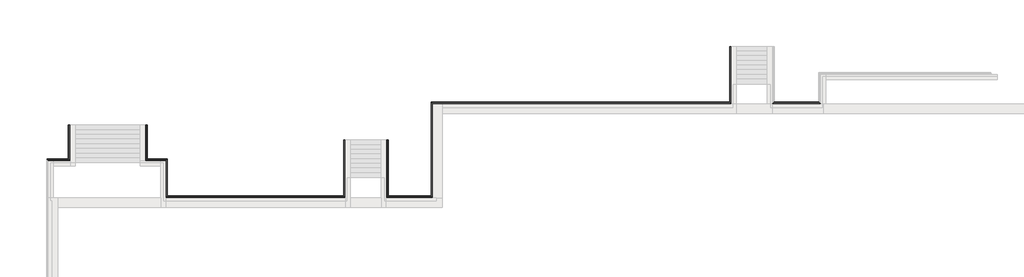
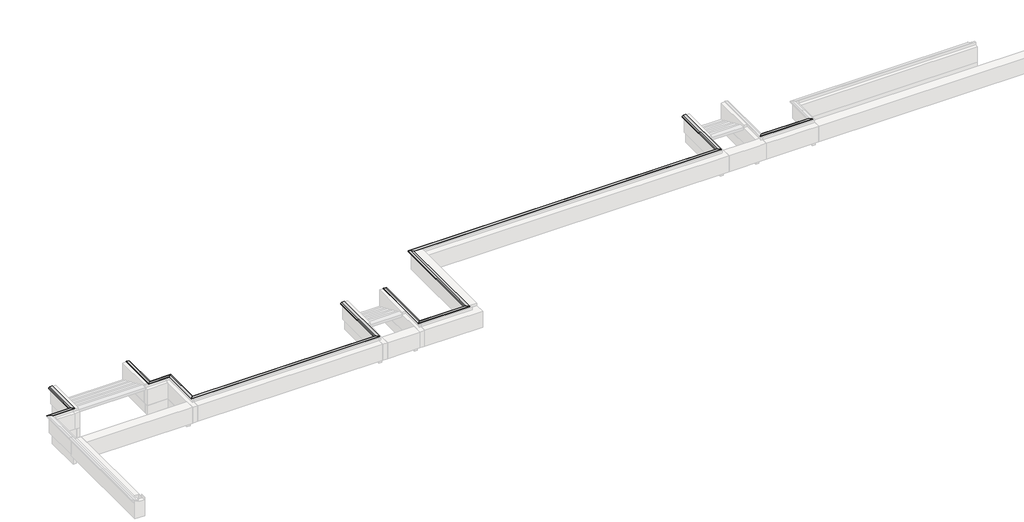
# One storey, part 8 of 10: 13 proxies.
"""IFC4 building model written with IfcOpenShell, lengths in millimetres."""

from ifc_helpers import new_model, si_unit, frame, origin, place, context, project, spatial, polyline, circle_curve, ellipse_curve, element, save
from ifc_brep_helpers import plane_surface, revolved_surface, advanced_brep

model = new_model("IFC4")

# Units and contexts
model_context = context("Model", 3, world=origin())
ifc_project = project(units=[si_unit("LENGTHUNIT", "METRE", prefix="MILLI")], contexts=[model_context])

# Site, building, storey
site = spatial("IfcSite", under=ifc_project)
building = spatial("IfcBuilding", under=site)
storey = spatial("IfcBuildingStorey", under=building, Elevation=-1200.0)

# Proxies
placement = place(None, origin())
element("IfcBuildingElementProxy", 1, Name="Wall Sweeps", at=placement, inside=storey, context=model_context, shape_type="AdvancedBrep", body=[
    advanced_brep(
    [(-23714.9887159, 1118.1079487, -15.0), (-23714.9887159, 1118.1079487, -85.0), (-23649.9887159, 1053.1079487, -150.0), (-23599.9887159, 1003.1079487, -150.0), (-23599.9887159, 1003.1079487, 0.0), (-23499.9887159, 903.1079487, 0.0), (-23499.9887159, 903.1079487, 30.51349), (-23649.9887159, 1053.1079487, 30.51349), (-23714.9887159, 7118.1079487, -15.0), (-23649.9887159, 7053.1079487, 30.51349), (-23499.9887159, 6903.1079487, 30.51349), (-23499.9887159, 6903.1079487, 0.0), (-23599.9887159, 7003.1079487, 0.0), (-23599.9887159, 7003.1079487, -150.0), (-23649.9887159, 7053.1079487, -150.0), (-23714.9887159, 7118.1079487, -85.0)],
    [
        (0, 1),
        (1, 2, ellipse_curve(frame((-23714.9887159, 1118.1079487, -150.0), z_axis=(0.7071067811865527, 0.7071067811865425, 0.0), x_axis=(-0.7071067811865426, 0.7071067811865526, 0.0)), 91.9238816, 65.0)),
        (2, 3),
        (3, 4),
        (4, 5),
        (5, 6),
        (6, 7),
        (7, 0),
        (8, 9),
        (9, 10),
        (10, 11),
        (11, 12),
        (12, 13),
        (13, 14),
        (14, 15, ellipse_curve(frame((-23714.9887159, 7118.1079487, -150.0), z_axis=(-0.7071067811865529, -0.7071067811865422, 0.0), x_axis=(-0.7071067811865424, 0.7071067811865527, 0.0)), 91.9238816, 65.0)),
        (15, 8),
        (0, 8),
        (15, 1),
        (14, 2),
        (13, 3),
        (12, 4),
        (11, 5),
        (10, 6),
        (9, 7),
    ],
    [
        plane_surface(frame((-23599.9887159, 1003.1079487, -304.8), z_axis=(-0.7071067811865527, -0.7071067811865425, 0.0), x_axis=(-0.7071067811865425, 0.7071067811865527, 0.0))),
        plane_surface(frame((-23599.9887159, 7003.1079487, 304.8), z_axis=(0.7071067811865529, 0.7071067811865422, 0.0), x_axis=(0.7071067811865422, -0.7071067811865529, 0.0))),
        plane_surface(frame((-23714.9887159, 1118.1079487, -15.0), z_axis=(-1.0, 0.0, 0.0), x_axis=(0.0, 1.0, 0.0))),
        revolved_surface(polyline([(-23779.9887159, 7183.1079487323495, -150.0), (-23779.9887159, 1053.1079486676501, -150.0)]), (-23714.9887159, 1003.1079487, -150.0), (0.0, 1.0, 0.0)),
        plane_surface(frame((-23649.9887159, 1053.1079487, -150.0), z_axis=(0.0, 0.0, -1.0), x_axis=(0.0, 1.0, 0.0))),
        plane_surface(frame((-23599.9887159, 1003.1079487, -150.0), z_axis=(1.0, 0.0, 0.0), x_axis=(0.0, 1.0, 0.0))),
        plane_surface(frame((-23599.9887159, 1003.1079487, 0.0), z_axis=(0.0, 0.0, -1.0), x_axis=(0.0, 1.0, 0.0))),
        plane_surface(frame((-23499.9887159, 903.1079487, 0.0), z_axis=(1.0, 0.0, 0.0), x_axis=(0.0, 1.0, 0.0))),
        plane_surface(frame((-23499.9887159, 903.1079487, 30.51349), z_axis=(0.0, 0.0, 1.0), x_axis=(0.0, 1.0, 0.0))),
        plane_surface(frame((-23649.9887159, 1053.1079487, 30.51349), z_axis=(-0.5735764363510482, 0.0, 0.8191520442889904), x_axis=(0.0, 1.0, 0.0))),
    ],
    [
        (0, [[1, 2, 3, 4, 5, 6, 7, 8]]),
        (1, [[9, 10, 11, 12, 13, 14, 15, 16]]),
        (2, [[-1, 17, -16, 18]]),
        (3, [[-2, -18, -15, 19]]),
        (4, [[-3, -19, -14, 20]]),
        (5, [[-4, -20, -13, 21]]),
        (6, [[-5, -21, -12, 22]]),
        (7, [[-6, -22, -11, 23]]),
        (8, [[-7, -23, -10, 24]]),
        (9, [[-8, -24, -9, -17]]),
    ],
),
])
element("IfcBuildingElementProxy", 2, Name="Wall Sweeps", at=placement, inside=storey, context=model_context, shape_type="AdvancedBrep", body=[
    advanced_brep(
    [(-23714.9887159, 7118.1079487, -15.0), (-23714.9887159, 7118.1079487, -85.0), (-23649.9887159, 7053.1079487, -150.0), (-23599.9887159, 7003.1079487, -150.0), (-23599.9887159, 7003.1079487, 0.0), (-23499.9887159, 6903.1079487, 0.0), (-23499.9887159, 6903.1079487, 30.51349), (-23649.9887159, 7053.1079487, 30.51349), (-4624.9887159, 7118.1079487, -85.0), (-4624.9887159, 7118.1079487, -15.0), (-4559.9887159, 7053.1079487, 30.51349), (-4409.9887159, 6903.1079487, 30.51349), (-4409.9887159, 6903.1079487, 0.0), (-4509.9887159, 7003.1079487, 0.0), (-4509.9887159, 7003.1079487, -150.0), (-4559.9887159, 7053.1079487, -150.0), (-22989.9887159, 7003.1079487, 0.0), (-22989.9887159, 6903.1079487, 0.0)],
    [
        (0, 1),
        (1, 2, ellipse_curve(frame((-23714.9887159, 7118.1079487, -150.0), z_axis=(0.7071067811865529, 0.7071067811865422, 0.0), x_axis=(0.7071067811865421, -0.7071067811865529, 0.0)), 91.9238816, 65.0)),
        (2, 3),
        (3, 4),
        (4, 5),
        (5, 6),
        (6, 7),
        (7, 0),
        (8, 9),
        (9, 10),
        (10, 11),
        (11, 12),
        (12, 13),
        (13, 14),
        (14, 15),
        (15, 8, ellipse_curve(frame((-4624.9887159, 7118.1079487, -150.0), z_axis=(-0.7071067811865493, -0.7071067811865458, 0.0), x_axis=(0.7071067811865457, -0.7071067811865492, 0.0)), 91.9238816, 65.0)),
        (0, 9),
        (8, 1),
        (15, 2),
        (14, 3),
        (13, 16),
        (16, 4),
        (12, 17),
        (17, 5),
        (11, 6),
        (10, 7),
    ],
    [
        plane_surface(frame((-23599.9887159, 7003.1079487, 304.8), z_axis=(-0.7071067811865529, -0.7071067811865422, 0.0), x_axis=(0.7071067811865422, -0.7071067811865529, 0.0))),
        plane_surface(frame((-4509.9887159, 7003.1079487, -304.8), z_axis=(0.7071067811865493, 0.7071067811865458, 0.0), x_axis=(-0.7071067811865458, 0.7071067811865493, 0.0))),
        plane_surface(frame((-23714.9887159, 7118.1079487, -15.0), z_axis=(0.0, 1.0, 0.0), x_axis=(1.0, 0.0, 0.0))),
        revolved_surface(polyline([(-4559.98871586765, 7183.1079487, -150.0), (-23779.988715932348, 7183.1079487, -150.0)]), (-23599.9887159, 7118.1079487, -150.0), (1.0, 0.0, 0.0)),
        plane_surface(frame((-23649.9887159, 7053.1079487, -150.0), z_axis=(0.0, 0.0, -1.0), x_axis=(1.0, 0.0, 0.0))),
        plane_surface(frame((-23599.9887159, 7003.1079487, -150.0), z_axis=(0.0, -1.0, 0.0), x_axis=(1.0, 0.0, 0.0))),
        plane_surface(frame((-23599.9887159, 7003.1079487, 0.0), z_axis=(0.0, 0.0, -1.0), x_axis=(1.0, 0.0, 0.0))),
        plane_surface(frame((-23499.9887159, 6903.1079487, 0.0), z_axis=(0.0, -1.0, 0.0), x_axis=(1.0, 0.0, 0.0))),
        plane_surface(frame((-23499.9887159, 6903.1079487, 30.51349), z_axis=(0.0, 0.0, 1.0), x_axis=(1.0, 0.0, 0.0))),
        plane_surface(frame((-23649.9887159, 7053.1079487, 30.51349), z_axis=(0.0, 0.5735764363510482, 0.8191520442889904), x_axis=(1.0, 0.0, 0.0))),
    ],
    [
        (0, [[1, 2, 3, 4, 5, 6, 7, 8]]),
        (1, [[9, 10, 11, 12, 13, 14, 15, 16]]),
        (2, [[-1, 17, -9, 18]]),
        (3, [[-2, -18, -16, 19]]),
        (4, [[-3, -19, -15, 20]]),
        (5, [[-4, -20, -14, 21, 22]]),
        (6, [[-5, -22, -21, -13, 23, 24]]),
        (7, [[-6, -24, -23, -12, 25]]),
        (8, [[-7, -25, -11, 26]]),
        (9, [[-8, -26, -10, -17]]),
    ],
),
])
element("IfcBuildingElementProxy", 3, Name="Wall Sweeps", at=placement, inside=storey, context=model_context, shape_type="AdvancedBrep", body=[
    advanced_brep(
    [(-46910.9937665, 3473.1270954, -15.0), (-46910.9937665, 3473.1270954, -85.0), (-46845.9937665, 3408.1270954, -150.0), (-46795.9937665, 3358.1270954, -150.0), (-46795.9937665, 3358.1270954, 0.0), (-46695.9937665, 3258.1270954, 0.0), (-46695.9937665, 3258.1270954, 30.51349), (-46845.9937665, 3408.1270954, 30.51349), (-46910.9937665, 5668.1079487, -85.0), (-46910.9937665, 5668.1079487, -15.0), (-46845.9937665, 5668.1079487, 30.51349), (-46695.9937665, 5668.1079487, 30.51349), (-46695.9937665, 5668.1079487, 0.0), (-46795.9937665, 5668.1079487, 0.0), (-46795.9937665, 5668.1079487, -150.0), (-46845.9937665, 5668.1079487, -150.0)],
    [
        (0, 1),
        (1, 2, ellipse_curve(frame((-46910.9937665, 3473.1270954, -150.0), z_axis=(0.707106781186544, 0.7071067811865511, 0.0), x_axis=(-0.7071067811865512, 0.7071067811865438, 0.0)), 91.9238816, 65.0)),
        (2, 3),
        (3, 4),
        (4, 5),
        (5, 6),
        (6, 7),
        (7, 0),
        (8, 9),
        (9, 10),
        (10, 11),
        (11, 12),
        (12, 13),
        (13, 14),
        (14, 15),
        (15, 8, circle_curve(frame((-46910.9937665, 5668.1079487, -150.0), z_axis=(0.0, -1.0, 0.0), x_axis=(-1.0, 0.0, 0.0)), 65.0)),
        (0, 9),
        (8, 1),
        (15, 2),
        (14, 3),
        (13, 4),
        (12, 5),
        (11, 6),
        (10, 7),
    ],
    [
        plane_surface(frame((-46795.9937665, 3358.1270954, -304.8), z_axis=(-0.707106781186544, -0.7071067811865511, 0.0), x_axis=(-0.7071067811865511, 0.707106781186544, 0.0))),
        plane_surface(frame((-46954.1076495, 5668.1079487, 0.0), z_axis=(0.0, 1.0, 0.0), x_axis=(0.0, 0.0, 1.0))),
        plane_surface(frame((-46910.9937665, 3473.1270954, -15.0), z_axis=(-1.0, 0.0, 0.0), x_axis=(0.0, 1.0, 0.0))),
        revolved_surface(polyline([(-46975.9937665, 5668.1079487, -150.0), (-46975.9937665, 3408.1270953676512, -150.0)]), (-46910.9937665, 3358.1270954, -150.0), (0.0, 1.0, 0.0)),
        plane_surface(frame((-46845.9937665, 3408.1270954, -150.0), z_axis=(0.0, 0.0, -1.0), x_axis=(0.0, 1.0, 0.0))),
        plane_surface(frame((-46795.9937665, 3358.1270954, -150.0), z_axis=(1.0, 0.0, 0.0), x_axis=(0.0, 1.0, 0.0))),
        plane_surface(frame((-46795.9937665, 3358.1270954, 0.0), z_axis=(0.0, 0.0, -1.0), x_axis=(0.0, 1.0, 0.0))),
        plane_surface(frame((-46695.9937665, 3258.1270954, 0.0), z_axis=(1.0, 0.0, 0.0), x_axis=(0.0, 1.0, 0.0))),
        plane_surface(frame((-46695.9937665, 3258.1270954, 30.51349), z_axis=(0.0, 0.0, 1.0), x_axis=(0.0, 1.0, 0.0))),
        plane_surface(frame((-46845.9937665, 3408.1270954, 30.51349), z_axis=(-0.5735764363510482, 0.0, 0.8191520442889904), x_axis=(0.0, 1.0, 0.0))),
    ],
    [
        (0, [[1, 2, 3, 4, 5, 6, 7, 8]]),
        (1, [[9, 10, 11, 12, 13, 14, 15, 16]]),
        (2, [[-1, 17, -9, 18]]),
        (3, [[-2, -18, -16, 19]]),
        (4, [[-3, -19, -15, 20]]),
        (5, [[-4, -20, -14, 21]]),
        (6, [[-5, -21, -13, 22]]),
        (7, [[-6, -22, -12, 23]]),
        (8, [[-7, -23, -11, 24]]),
        (9, [[-8, -24, -10, -17]]),
    ],
),
])
element("IfcBuildingElementProxy", 4, Name="Wall Sweeps", at=placement, inside=storey, context=model_context, shape_type="AdvancedBrep", body=[
    advanced_brep(
    [(-40586.9988172, 1118.1079487, -85.0), (-40586.9988172, 1118.1079487, -15.0), (-40651.9988172, 1053.1079487, 30.51349), (-40801.9988172, 903.1079487, 30.51349), (-40801.9988172, 903.1079487, 0.0), (-40701.9988172, 1003.1079487, 0.0), (-40701.9988172, 1003.1079487, -150.0), (-40651.9988172, 1053.1079487, -150.0), (-40586.9988172, 3473.1270954, -15.0), (-40586.9988172, 3473.1270954, -85.0), (-40651.9988172, 3408.1270954, -150.0), (-40701.9988172, 3358.1270954, -150.0), (-40701.9988172, 3358.1270954, 0.0), (-40801.9988172, 3258.1270954, 0.0), (-40801.9988172, 3258.1270954, 30.51349), (-40651.9988172, 3408.1270954, 30.51349)],
    [
        (0, 1),
        (1, 2),
        (2, 3),
        (3, 4),
        (4, 5),
        (5, 6),
        (6, 7),
        (7, 0, ellipse_curve(frame((-40586.9988172, 1118.1079487, -150.0), z_axis=(-0.7071067811865442, 0.7071067811865509, 0.0), x_axis=(0.7071067811865509, 0.707106781186544, 0.0)), 91.9238816, 65.0)),
        (8, 9),
        (9, 10, ellipse_curve(frame((-40586.9988172, 3473.1270954, -150.0), z_axis=(0.7071067811865449, -0.7071067811865502, 0.0), x_axis=(0.7071067811865502, 0.7071067811865447, 0.0)), 91.9238816, 65.0)),
        (10, 11),
        (11, 12),
        (12, 13),
        (13, 14),
        (14, 15),
        (15, 8),
        (0, 9),
        (8, 1),
        (7, 10),
        (6, 11),
        (5, 12),
        (4, 13),
        (3, 14),
        (2, 15),
    ],
    [
        plane_surface(frame((-40701.9988172, 1003.1079487, 304.8), z_axis=(0.7071067811865442, -0.7071067811865509, 0.0), x_axis=(0.7071067811865509, 0.7071067811865442, 0.0))),
        plane_surface(frame((-40701.9988172, 3358.1270954, -304.8), z_axis=(-0.7071067811865449, 0.7071067811865502, 0.0), x_axis=(-0.7071067811865502, -0.7071067811865449, 0.0))),
        plane_surface(frame((-40586.9988172, 1118.1079487, -85.0), z_axis=(1.0, 0.0, 0.0), x_axis=(0.0, 1.0, 0.0))),
        revolved_surface(polyline([(-40521.9988172, 3538.127095432349, -150.0), (-40521.9988172, 1053.107948667651, -150.0)]), (-40586.9988172, 1003.1079487, -150.0), (0.0, 1.0, 0.0)),
        plane_surface(frame((-40701.9988172, 1003.1079487, -150.0), z_axis=(0.0, 0.0, -1.0), x_axis=(0.0, 1.0, 0.0))),
        plane_surface(frame((-40701.9988172, 1003.1079487, 0.0), z_axis=(-1.0, 0.0, 0.0), x_axis=(0.0, 1.0, 0.0))),
        plane_surface(frame((-40801.9988172, 903.1079487, 0.0), z_axis=(0.0, 0.0, -1.0), x_axis=(0.0, 1.0, 0.0))),
        plane_surface(frame((-40801.9988172, 903.1079487, 30.51349), z_axis=(-1.0, 0.0, 0.0), x_axis=(0.0, 1.0, 0.0))),
        plane_surface(frame((-40651.9988172, 1053.1079487, 30.51349), z_axis=(0.0, 0.0, 1.0), x_axis=(0.0, 1.0, 0.0))),
        plane_surface(frame((-40586.9988172, 1118.1079487, -15.0), z_axis=(0.5735764363510482, 0.0, 0.8191520442889904), x_axis=(0.0, 1.0, 0.0))),
    ],
    [
        (0, [[1, 2, 3, 4, 5, 6, 7, 8]]),
        (1, [[9, 10, 11, 12, 13, 14, 15, 16]]),
        (2, [[-1, 17, -9, 18]]),
        (3, [[-8, 19, -10, -17]]),
        (4, [[-7, 20, -11, -19]]),
        (5, [[-6, 21, -12, -20]]),
        (6, [[-5, 22, -13, -21]]),
        (7, [[-4, 23, -14, -22]]),
        (8, [[-3, 24, -15, -23]]),
        (9, [[-2, -18, -16, -24]]),
    ],
),
])
element("IfcBuildingElementProxy", 5, Name="Wall Sweeps", at=placement, inside=storey, context=model_context, shape_type="AdvancedBrep", body=[
    advanced_brep(
    [(-41880.9937665, 3473.1270954, -15.0), (-41880.9937665, 3473.1270954, -85.0), (-41945.9937665, 3408.1270954, -150.0), (-41995.9937665, 3358.1270954, -150.0), (-41995.9937665, 3358.1270954, 0.0), (-42095.9937665, 3258.1270954, 0.0), (-42095.9937665, 3258.1270954, 30.51349), (-41945.9937665, 3408.1270954, 30.51349), (-40586.9988172, 3473.1270954, -15.0), (-40651.9988172, 3408.1270954, 30.51349), (-40801.9988172, 3258.1270954, 30.51349), (-40801.9988172, 3258.1270954, 0.0), (-40701.9988172, 3358.1270954, 0.0), (-40701.9988172, 3358.1270954, -150.0), (-40651.9988172, 3408.1270954, -150.0), (-40586.9988172, 3473.1270954, -85.0), (-41011.9988172, 3358.1270954, 0.0)],
    [
        (0, 1),
        (1, 2, ellipse_curve(frame((-41880.9937665, 3473.1270954, -150.0), z_axis=(0.707106781186544, -0.7071067811865511, 0.0), x_axis=(0.707106781186551, 0.7071067811865441, 0.0)), 91.9238816, 65.0)),
        (2, 3),
        (3, 4),
        (4, 5),
        (5, 6),
        (6, 7),
        (7, 0),
        (8, 9),
        (9, 10),
        (10, 11),
        (11, 12),
        (12, 13),
        (13, 14),
        (14, 15, ellipse_curve(frame((-40586.9988172, 3473.1270954, -150.0), z_axis=(-0.7071067811865449, 0.7071067811865502, 0.0), x_axis=(0.70710678118655, 0.707106781186545, 0.0)), 91.9238816, 65.0)),
        (15, 8),
        (0, 8),
        (15, 1),
        (14, 2),
        (13, 3),
        (12, 16),
        (16, 4),
        (11, 5),
        (10, 6),
        (9, 7),
    ],
    [
        plane_surface(frame((-41995.9937665, 3358.1270954, -304.8), z_axis=(-0.707106781186544, 0.7071067811865511, 0.0), x_axis=(0.7071067811865511, 0.707106781186544, 0.0))),
        plane_surface(frame((-40701.9988172, 3358.1270954, 304.8), z_axis=(0.7071067811865449, -0.7071067811865502, 0.0), x_axis=(-0.7071067811865502, -0.7071067811865449, 0.0))),
        plane_surface(frame((-41880.9937665, 3473.1270954, -15.0), z_axis=(0.0, 1.0, 0.0), x_axis=(1.0, 0.0, 0.0))),
        revolved_surface(polyline([(-40521.99881716765, 3538.1270954, -150.0), (-41945.99376653235, 3538.1270954, -150.0)]), (-41995.9937665, 3473.1270954, -150.0), (1.0, 0.0, 0.0)),
        plane_surface(frame((-41945.9937665, 3408.1270954, -150.0), z_axis=(0.0, 0.0, -1.0), x_axis=(1.0, 0.0, 0.0))),
        plane_surface(frame((-41995.9937665, 3358.1270954, -150.0), z_axis=(0.0, -1.0, 0.0), x_axis=(1.0, 0.0, 0.0))),
        plane_surface(frame((-41995.9937665, 3358.1270954, 0.0), z_axis=(0.0, 0.0, -1.0), x_axis=(1.0, 0.0, 0.0))),
        plane_surface(frame((-42095.9937665, 3258.1270954, 0.0), z_axis=(0.0, -1.0, 0.0), x_axis=(1.0, 0.0, 0.0))),
        plane_surface(frame((-42095.9937665, 3258.1270954, 30.51349), z_axis=(0.0, 0.0, 1.0), x_axis=(1.0, 0.0, 0.0))),
        plane_surface(frame((-41945.9937665, 3408.1270954, 30.51349), z_axis=(0.0, 0.5735764363510482, 0.8191520442889904), x_axis=(1.0, 0.0, 0.0))),
    ],
    [
        (0, [[1, 2, 3, 4, 5, 6, 7, 8]]),
        (1, [[9, 10, 11, 12, 13, 14, 15, 16]]),
        (2, [[-1, 17, -16, 18]]),
        (3, [[-2, -18, -15, 19]]),
        (4, [[-3, -19, -14, 20]]),
        (5, [[-4, -20, -13, 21, 22]]),
        (6, [[-5, -22, -21, -12, 23]]),
        (7, [[-6, -23, -11, 24]]),
        (8, [[-7, -24, -10, 25]]),
        (9, [[-8, -25, -9, -17]]),
    ],
),
])
element("IfcBuildingElementProxy", 6, Name="Wall Sweeps", at=placement, inside=storey, context=model_context, shape_type="AdvancedBrep", body=[
    advanced_brep(
    [(-41880.9937665, 3473.1270954, -15.0), (-41945.9937665, 3408.1270954, 30.51349), (-42095.9937665, 3258.1270954, 30.51349), (-42095.9937665, 3258.1270954, 0.0), (-41995.9937665, 3358.1270954, 0.0), (-41995.9937665, 3358.1270954, -150.0), (-41945.9937665, 3408.1270954, -150.0), (-41880.9937665, 3473.1270954, -85.0), (-41880.9937665, 5668.1079487, -15.0), (-41880.9937665, 5668.1079487, -85.0), (-41945.9937665, 5668.1079487, -150.0), (-41995.9937665, 5668.1079487, -150.0), (-41995.9937665, 5668.1079487, 0.0), (-42095.9937665, 5668.1079487, 0.0), (-42095.9937665, 5668.1079487, 30.51349), (-41945.9937665, 5668.1079487, 30.51349)],
    [
        (0, 1),
        (1, 2),
        (2, 3),
        (3, 4),
        (4, 5),
        (5, 6),
        (6, 7, ellipse_curve(frame((-41880.9937665, 3473.1270954, -150.0), z_axis=(-0.707106781186544, 0.7071067811865511, 0.0), x_axis=(0.7071067811865512, 0.7071067811865438, 0.0)), 91.9238816, 65.0)),
        (7, 0),
        (8, 9),
        (9, 10, circle_curve(frame((-41880.9937665, 5668.1079487, -150.0), z_axis=(0.0, -1.0, 0.0), x_axis=(1.0, 0.0, 0.0)), 65.0)),
        (10, 11),
        (11, 12),
        (12, 13),
        (13, 14),
        (14, 15),
        (15, 8),
        (7, 9),
        (8, 0),
        (6, 10),
        (5, 11),
        (4, 12),
        (3, 13),
        (2, 14),
        (1, 15),
    ],
    [
        plane_surface(frame((-41995.9937665, 3358.1270954, 304.8), z_axis=(0.707106781186544, -0.7071067811865511, 0.0), x_axis=(0.7071067811865511, 0.707106781186544, 0.0))),
        plane_surface(frame((-42154.1076495, 5668.1079487, 0.0), z_axis=(0.0, 1.0, 0.0), x_axis=(0.0, 0.0, 1.0))),
        plane_surface(frame((-41880.9937665, 3473.1270954, -85.0), z_axis=(1.0, 0.0, 0.0), x_axis=(0.0, 1.0, 0.0))),
        revolved_surface(polyline([(-41815.9937665, 5668.1079487, -150.0), (-41815.9937665, 3408.1270953676512, -150.0)]), (-41880.9937665, 3358.1270954, -150.0), (0.0, 1.0, 0.0)),
        plane_surface(frame((-41995.9937665, 3358.1270954, -150.0), z_axis=(0.0, 0.0, -1.0), x_axis=(0.0, 1.0, 0.0))),
        plane_surface(frame((-41995.9937665, 3358.1270954, 0.0), z_axis=(-1.0, 0.0, 0.0), x_axis=(0.0, 1.0, 0.0))),
        plane_surface(frame((-42095.9937665, 3258.1270954, 0.0), z_axis=(0.0, 0.0, -1.0), x_axis=(0.0, 1.0, 0.0))),
        plane_surface(frame((-42095.9937665, 3258.1270954, 30.51349), z_axis=(-1.0, 0.0, 0.0), x_axis=(0.0, 1.0, 0.0))),
        plane_surface(frame((-41945.9937665, 3408.1270954, 30.51349), z_axis=(0.0, 0.0, 1.0), x_axis=(0.0, 1.0, 0.0))),
        plane_surface(frame((-41880.9937665, 3473.1270954, -15.0), z_axis=(0.5735764363510482, 0.0, 0.8191520442889904), x_axis=(0.0, 1.0, 0.0))),
    ],
    [
        (0, [[1, 2, 3, 4, 5, 6, 7, 8]]),
        (1, [[9, 10, 11, 12, 13, 14, 15, 16]]),
        (2, [[-8, 17, -9, 18]]),
        (3, [[-7, 19, -10, -17]]),
        (4, [[-6, 20, -11, -19]]),
        (5, [[-5, 21, -12, -20]]),
        (6, [[-4, 22, -13, -21]]),
        (7, [[-3, 23, -14, -22]]),
        (8, [[-2, 24, -15, -23]]),
        (9, [[-1, -18, -16, -24]]),
    ],
),
])
element("IfcBuildingElementProxy", 7, Name="Wall Sweeps", at=placement, inside=storey, context=model_context, shape_type="AdvancedBrep", body=[
    advanced_brep(
    [(-40586.9988172, 1118.1079487, -15.0), (-40586.9988172, 1118.1079487, -85.0), (-40651.9988172, 1053.1079487, -150.0), (-40701.9988172, 1003.1079487, -150.0), (-40701.9988172, 1003.1079487, 0.0), (-40801.9988172, 903.1079487, 0.0), (-40801.9988172, 903.1079487, 30.51349), (-40651.9988172, 1053.1079487, 30.51349), (-29314.9887159, 1118.1079487, -15.0), (-29249.9887159, 1053.1079487, 30.51349), (-29099.9887159, 903.1079487, 30.51349), (-29099.9887159, 903.1079487, 0.0), (-29199.9887159, 1003.1079487, 0.0), (-29199.9887159, 1003.1079487, -150.0), (-29249.9887159, 1053.1079487, -150.0), (-29314.9887159, 1118.1079487, -85.0), (-30889.9887159, 903.1079487, 0.0), (-33789.9887159, 903.1079487, 0.0), (-34189.9887159, 903.1079487, 0.0), (-40609.9887159, 903.1079487, 0.0)],
    [
        (0, 1),
        (1, 2, ellipse_curve(frame((-40586.9988172, 1118.1079487, -150.0), z_axis=(0.7071067811865442, -0.7071067811865509, 0.0), x_axis=(0.7071067811865507, 0.7071067811865442, 0.0)), 91.9238816, 65.0)),
        (2, 3),
        (3, 4),
        (4, 5),
        (5, 6),
        (6, 7),
        (7, 0),
        (8, 9),
        (9, 10),
        (10, 11),
        (11, 12),
        (12, 13),
        (13, 14),
        (14, 15, ellipse_curve(frame((-29314.9887159, 1118.1079487, -150.0), z_axis=(-0.7071067811865454, -0.7071067811865498, 0.0), x_axis=(0.7071067811865496, -0.7071067811865454, 0.0)), 91.9238816, 65.0)),
        (15, 8),
        (0, 8),
        (15, 1),
        (14, 2),
        (13, 3),
        (12, 4),
        (11, 16),
        (16, 17),
        (17, 18),
        (18, 19),
        (19, 5),
        (10, 6),
        (9, 7),
    ],
    [
        plane_surface(frame((-40701.9988172, 1003.1079487, -304.8), z_axis=(-0.7071067811865442, 0.7071067811865509, 0.0), x_axis=(0.7071067811865509, 0.7071067811865442, 0.0))),
        plane_surface(frame((-29199.9887159, 1003.1079487, -304.8), z_axis=(0.7071067811865454, 0.7071067811865498, 0.0), x_axis=(-0.7071067811865498, 0.7071067811865454, 0.0))),
        plane_surface(frame((-40586.9988172, 1118.1079487, -15.0), z_axis=(0.0, 1.0, 0.0), x_axis=(1.0, 0.0, 0.0))),
        revolved_surface(polyline([(-29249.98871586765, 1183.1079487, -150.0), (-40651.99881723235, 1183.1079487, -150.0)]), (-40701.9988172, 1118.1079487, -150.0), (1.0, 0.0, 0.0)),
        plane_surface(frame((-40651.9988172, 1053.1079487, -150.0), z_axis=(0.0, 0.0, -1.0), x_axis=(1.0, 0.0, 0.0))),
        plane_surface(frame((-40701.9988172, 1003.1079487, -150.0), z_axis=(0.0, -1.0, 0.0), x_axis=(1.0, 0.0, 0.0))),
        plane_surface(frame((-40701.9988172, 1003.1079487, 0.0), z_axis=(0.0, 0.0, -1.0), x_axis=(1.0, 0.0, 0.0))),
        plane_surface(frame((-40801.9988172, 903.1079487, 0.0), z_axis=(0.0, -1.0, 0.0), x_axis=(1.0, 0.0, 0.0))),
        plane_surface(frame((-40801.9988172, 903.1079487, 30.51349), z_axis=(0.0, 0.0, 1.0), x_axis=(1.0, 0.0, 0.0))),
        plane_surface(frame((-40651.9988172, 1053.1079487, 30.51349), z_axis=(0.0, 0.5735764363510482, 0.8191520442889904), x_axis=(1.0, 0.0, 0.0))),
    ],
    [
        (0, [[1, 2, 3, 4, 5, 6, 7, 8]]),
        (1, [[9, 10, 11, 12, 13, 14, 15, 16]]),
        (2, [[-1, 17, -16, 18]]),
        (3, [[-2, -18, -15, 19]]),
        (4, [[-3, -19, -14, 20]]),
        (5, [[-4, -20, -13, 21]]),
        (6, [[-5, -21, -12, 22, 23, 24, 25, 26]]),
        (7, [[-6, -26, -25, -24, -23, -22, -11, 27]]),
        (8, [[-7, -27, -10, 28]]),
        (9, [[-8, -28, -9, -17]]),
    ],
),
])
element("IfcBuildingElementProxy", 8, Name="Wall Sweeps", at=placement, inside=storey, context=model_context, shape_type="AdvancedBrep", body=[
    advanced_brep(
    [(-26464.9887159, 1118.1079487, -15.0), (-26529.9887159, 1053.1079487, 30.51349), (-26679.9887159, 903.1079487, 30.51349), (-26679.9887159, 903.1079487, 0.0), (-26579.9887159, 1003.1079487, 0.0), (-26579.9887159, 1003.1079487, -150.0), (-26529.9887159, 1053.1079487, -150.0), (-26464.9887159, 1118.1079487, -85.0), (-26464.9887159, 4693.1079487, -15.0), (-26464.9887159, 4693.1079487, -85.0), (-26529.9887159, 4693.1079487, -150.0), (-26579.9887159, 4693.1079487, -150.0), (-26579.9887159, 4693.1079487, 0.0), (-26679.9887159, 4693.1079487, 0.0), (-26679.9887159, 4693.1079487, 30.51349), (-26529.9887159, 4693.1079487, 30.51349), (-26679.9887159, 2293.1079487, 0.0)],
    [
        (0, 1),
        (1, 2),
        (2, 3),
        (3, 4),
        (4, 5),
        (5, 6),
        (6, 7, ellipse_curve(frame((-26464.9887159, 1118.1079487, -150.0), z_axis=(-0.7071067811865442, 0.7071067811865509, 0.0), x_axis=(0.7071067811865509, 0.707106781186544, 0.0)), 91.9238816, 65.0)),
        (7, 0),
        (8, 9),
        (9, 10, circle_curve(frame((-26464.9887159, 4693.1079487, -150.0), z_axis=(0.0, -1.0, 0.0), x_axis=(1.0, 0.0, 0.0)), 65.0)),
        (10, 11),
        (11, 12),
        (12, 13),
        (13, 14),
        (14, 15),
        (15, 8),
        (7, 9),
        (8, 0),
        (6, 10),
        (5, 11),
        (4, 12),
        (3, 16),
        (16, 13),
        (2, 14),
        (1, 15),
    ],
    [
        plane_surface(frame((-26579.9887159, 1003.1079487, 304.8), z_axis=(0.7071067811865442, -0.7071067811865509, 0.0), x_axis=(0.7071067811865509, 0.7071067811865442, 0.0))),
        plane_surface(frame((-26738.1025989, 4693.1079487, 0.0), z_axis=(0.0, 1.0, 0.0), x_axis=(0.0, 0.0, 1.0))),
        plane_surface(frame((-26464.9887159, 1118.1079487, -85.0), z_axis=(1.0, 0.0, 0.0), x_axis=(0.0, 1.0, 0.0))),
        revolved_surface(polyline([(-26399.9887159, 4693.1079487, -150.0), (-26399.9887159, 1053.107948667651, -150.0)]), (-26464.9887159, 1003.1079487, -150.0), (0.0, 1.0, 0.0)),
        plane_surface(frame((-26579.9887159, 1003.1079487, -150.0), z_axis=(0.0, 0.0, -1.0), x_axis=(0.0, 1.0, 0.0))),
        plane_surface(frame((-26579.9887159, 1003.1079487, 0.0), z_axis=(-1.0, 0.0, 0.0), x_axis=(0.0, 1.0, 0.0))),
        plane_surface(frame((-26679.9887159, 903.1079487, 0.0), z_axis=(0.0, 0.0, -1.0), x_axis=(0.0, 1.0, 0.0))),
        plane_surface(frame((-26679.9887159, 903.1079487, 30.51349), z_axis=(-1.0, 0.0, 0.0), x_axis=(0.0, 1.0, 0.0))),
        plane_surface(frame((-26529.9887159, 1053.1079487, 30.51349), z_axis=(0.0, 0.0, 1.0), x_axis=(0.0, 1.0, 0.0))),
        plane_surface(frame((-26464.9887159, 1118.1079487, -15.0), z_axis=(0.5735764363510482, 0.0, 0.8191520442889904), x_axis=(0.0, 1.0, 0.0))),
    ],
    [
        (0, [[1, 2, 3, 4, 5, 6, 7, 8]]),
        (1, [[9, 10, 11, 12, 13, 14, 15, 16]]),
        (2, [[-8, 17, -9, 18]]),
        (3, [[-7, 19, -10, -17]]),
        (4, [[-6, 20, -11, -19]]),
        (5, [[-5, 21, -12, -20]]),
        (6, [[-4, 22, 23, -13, -21]]),
        (7, [[-3, 24, -14, -23, -22]]),
        (8, [[-2, 25, -15, -24]]),
        (9, [[-1, -18, -16, -25]]),
    ],
),
])
element("IfcBuildingElementProxy", 9, Name="Wall Sweeps", at=placement, inside=storey, context=model_context, shape_type="AdvancedBrep", body=[
    advanced_brep(
    [(-29314.9887159, 1118.1079487, -15.0), (-29314.9887159, 1118.1079487, -85.0), (-29249.9887159, 1053.1079487, -150.0), (-29199.9887159, 1003.1079487, -150.0), (-29199.9887159, 1003.1079487, 0.0), (-29099.9887159, 903.1079487, 0.0), (-29099.9887159, 903.1079487, 30.51349), (-29249.9887159, 1053.1079487, 30.51349), (-29314.9887159, 4693.1079487, -15.0), (-29249.9887159, 4693.1079487, 30.51349), (-29099.9887159, 4693.1079487, 30.51349), (-29099.9887159, 4693.1079487, 0.0), (-29199.9887159, 4693.1079487, 0.0), (-29199.9887159, 4693.1079487, -150.0), (-29249.9887159, 4693.1079487, -150.0), (-29314.9887159, 4693.1079487, -85.0), (-29099.9887159, 2293.1079487, 0.0)],
    [
        (0, 1),
        (1, 2, ellipse_curve(frame((-29314.9887159, 1118.1079487, -150.0), z_axis=(0.7071067811865454, 0.7071067811865498, 0.0), x_axis=(-0.7071067811865498, 0.7071067811865451, 0.0)), 91.9238816, 65.0)),
        (2, 3),
        (3, 4),
        (4, 5),
        (5, 6),
        (6, 7),
        (7, 0),
        (8, 9),
        (9, 10),
        (10, 11),
        (11, 12),
        (12, 13),
        (13, 14),
        (14, 15, circle_curve(frame((-29314.9887159, 4693.1079487, -150.0), z_axis=(0.0, -1.0, 0.0), x_axis=(-1.0, 0.0, 0.0)), 65.0)),
        (15, 8),
        (0, 8),
        (15, 1),
        (14, 2),
        (13, 3),
        (12, 4),
        (11, 16),
        (16, 5),
        (10, 6),
        (9, 7),
    ],
    [
        plane_surface(frame((-29199.9887159, 1003.1079487, -304.8), z_axis=(-0.7071067811865454, -0.7071067811865498, 0.0), x_axis=(-0.7071067811865498, 0.7071067811865454, 0.0))),
        plane_surface(frame((-29358.1025989, 4693.1079487, 0.0), z_axis=(0.0, 1.0, 0.0), x_axis=(0.0, 0.0, 1.0))),
        plane_surface(frame((-29314.9887159, 1118.1079487, -15.0), z_axis=(-1.0, 0.0, 0.0), x_axis=(0.0, 1.0, 0.0))),
        revolved_surface(polyline([(-29379.9887159, 4693.1079487, -150.0), (-29379.9887159, 1053.1079486676508, -150.0)]), (-29314.9887159, 1003.1079487, -150.0), (0.0, 1.0, 0.0)),
        plane_surface(frame((-29249.9887159, 1053.1079487, -150.0), z_axis=(0.0, 0.0, -1.0), x_axis=(0.0, 1.0, 0.0))),
        plane_surface(frame((-29199.9887159, 1003.1079487, -150.0), z_axis=(1.0, 0.0, 0.0), x_axis=(0.0, 1.0, 0.0))),
        plane_surface(frame((-29199.9887159, 1003.1079487, 0.0), z_axis=(0.0, 0.0, -1.0), x_axis=(0.0, 1.0, 0.0))),
        plane_surface(frame((-29099.9887159, 903.1079487, 0.0), z_axis=(1.0, 0.0, 0.0), x_axis=(0.0, 1.0, 0.0))),
        plane_surface(frame((-29099.9887159, 903.1079487, 30.51349), z_axis=(0.0, 0.0, 1.0), x_axis=(0.0, 1.0, 0.0))),
        plane_surface(frame((-29249.9887159, 1053.1079487, 30.51349), z_axis=(-0.5735764363510482, 0.0, 0.8191520442889904), x_axis=(0.0, 1.0, 0.0))),
    ],
    [
        (0, [[1, 2, 3, 4, 5, 6, 7, 8]]),
        (1, [[9, 10, 11, 12, 13, 14, 15, 16]]),
        (2, [[-1, 17, -16, 18]]),
        (3, [[-2, -18, -15, 19]]),
        (4, [[-3, -19, -14, 20]]),
        (5, [[-4, -20, -13, 21]]),
        (6, [[-5, -21, -12, 22, 23]]),
        (7, [[-6, -23, -22, -11, 24]]),
        (8, [[-7, -24, -10, 25]]),
        (9, [[-8, -25, -9, -17]]),
    ],
),
])
element("IfcBuildingElementProxy", 10, Name="Wall Sweeps", at=placement, inside=storey, context=model_context, shape_type="AdvancedBrep", body=[
    advanced_brep(
    [(-26464.9887159, 1118.1079487, -15.0), (-26464.9887159, 1118.1079487, -85.0), (-26529.9887159, 1053.1079487, -150.0), (-26579.9887159, 1003.1079487, -150.0), (-26579.9887159, 1003.1079487, 0.0), (-26679.9887159, 903.1079487, 0.0), (-26679.9887159, 903.1079487, 30.51349), (-26529.9887159, 1053.1079487, 30.51349), (-23714.9887159, 1118.1079487, -15.0), (-23649.9887159, 1053.1079487, 30.51349), (-23499.9887159, 903.1079487, 30.51349), (-23499.9887159, 903.1079487, 0.0), (-23599.9887159, 1003.1079487, 0.0), (-23599.9887159, 1003.1079487, -150.0), (-23649.9887159, 1053.1079487, -150.0), (-23714.9887159, 1118.1079487, -85.0)],
    [
        (0, 1),
        (1, 2, ellipse_curve(frame((-26464.9887159, 1118.1079487, -150.0), z_axis=(0.7071067811865442, -0.7071067811865509, 0.0), x_axis=(0.7071067811865507, 0.7071067811865442, 0.0)), 91.9238816, 65.0)),
        (2, 3),
        (3, 4),
        (4, 5),
        (5, 6),
        (6, 7),
        (7, 0),
        (8, 9),
        (9, 10),
        (10, 11),
        (11, 12),
        (12, 13),
        (13, 14),
        (14, 15, ellipse_curve(frame((-23714.9887159, 1118.1079487, -150.0), z_axis=(-0.7071067811865527, -0.7071067811865425, 0.0), x_axis=(0.7071067811865424, -0.7071067811865527, 0.0)), 91.9238816, 65.0)),
        (15, 8),
        (0, 8),
        (15, 1),
        (14, 2),
        (13, 3),
        (12, 4),
        (11, 5),
        (10, 6),
        (9, 7),
    ],
    [
        plane_surface(frame((-26579.9887159, 1003.1079487, -304.8), z_axis=(-0.7071067811865442, 0.7071067811865509, 0.0), x_axis=(0.7071067811865509, 0.7071067811865442, 0.0))),
        plane_surface(frame((-23599.9887159, 1003.1079487, -304.8), z_axis=(0.7071067811865527, 0.7071067811865425, 0.0), x_axis=(-0.7071067811865425, 0.7071067811865527, 0.0))),
        plane_surface(frame((-26464.9887159, 1118.1079487, -15.0), z_axis=(0.0, 1.0, 0.0), x_axis=(1.0, 0.0, 0.0))),
        revolved_surface(polyline([(-23649.98871586765, 1183.1079487, -150.0), (-26529.988715932348, 1183.1079487, -150.0)]), (-26579.9887159, 1118.1079487, -150.0), (1.0, 0.0, 0.0)),
        plane_surface(frame((-26529.9887159, 1053.1079487, -150.0), z_axis=(0.0, 0.0, -1.0), x_axis=(1.0, 0.0, 0.0))),
        plane_surface(frame((-26579.9887159, 1003.1079487, -150.0), z_axis=(0.0, -1.0, 0.0), x_axis=(1.0, 0.0, 0.0))),
        plane_surface(frame((-26579.9887159, 1003.1079487, 0.0), z_axis=(0.0, 0.0, -1.0), x_axis=(1.0, 0.0, 0.0))),
        plane_surface(frame((-26679.9887159, 903.1079487, 0.0), z_axis=(0.0, -1.0, 0.0), x_axis=(1.0, 0.0, 0.0))),
        plane_surface(frame((-26679.9887159, 903.1079487, 30.51349), z_axis=(0.0, 0.0, 1.0), x_axis=(1.0, 0.0, 0.0))),
        plane_surface(frame((-26529.9887159, 1053.1079487, 30.51349), z_axis=(0.0, 0.5735764363510482, 0.8191520442889904), x_axis=(1.0, 0.0, 0.0))),
    ],
    [
        (0, [[1, 2, 3, 4, 5, 6, 7, 8]]),
        (1, [[9, 10, 11, 12, 13, 14, 15, 16]]),
        (2, [[-1, 17, -16, 18]]),
        (3, [[-2, -18, -15, 19]]),
        (4, [[-3, -19, -14, 20]]),
        (5, [[-4, -20, -13, 21]]),
        (6, [[-5, -21, -12, 22]]),
        (7, [[-6, -22, -11, 23]]),
        (8, [[-7, -23, -10, 24]]),
        (9, [[-8, -24, -9, -17]]),
    ],
),
])
element("IfcBuildingElementProxy", 11, Name="Wall Sweeps", at=placement, inside=storey, context=model_context, shape_type="AdvancedBrep", body=[
    advanced_brep(
    [(-4624.9887159, 7118.1079487, -15.0), (-4624.9887159, 7118.1079487, -85.0), (-4559.9887159, 7053.1079487, -150.0), (-4509.9887159, 7003.1079487, -150.0), (-4509.9887159, 7003.1079487, 0.0), (-4409.9887159, 6903.1079487, 0.0), (-4409.9887159, 6903.1079487, 30.51349), (-4559.9887159, 7053.1079487, 30.51349), (-4624.9887159, 10693.1079487, -15.0), (-4559.9887159, 10693.1079487, 30.51349), (-4409.9887159, 10693.1079487, 30.51349), (-4409.9887159, 10693.1079487, 0.0), (-4509.9887159, 10693.1079487, 0.0), (-4509.9887159, 10693.1079487, -150.0), (-4559.9887159, 10693.1079487, -150.0), (-4624.9887159, 10693.1079487, -85.0), (-4409.9887159, 8293.1079487, 0.0), (-4409.9887159, 7003.1079487, 0.0)],
    [
        (0, 1),
        (1, 2, ellipse_curve(frame((-4624.9887159, 7118.1079487, -150.0), z_axis=(0.7071067811865493, 0.7071067811865458, 0.0), x_axis=(-0.7071067811865458, 0.7071067811865491, 0.0)), 91.9238816, 65.0)),
        (2, 3),
        (3, 4),
        (4, 5),
        (5, 6),
        (6, 7),
        (7, 0),
        (8, 9),
        (9, 10),
        (10, 11),
        (11, 12),
        (12, 13),
        (13, 14),
        (14, 15, circle_curve(frame((-4624.9887159, 10693.1079487, -150.0), z_axis=(0.0, -1.0, 0.0), x_axis=(-1.0, 0.0, 0.0)), 65.0)),
        (15, 8),
        (0, 8),
        (15, 1),
        (14, 2),
        (13, 3),
        (12, 4),
        (11, 16),
        (16, 17),
        (17, 5),
        (10, 6),
        (9, 7),
    ],
    [
        plane_surface(frame((-4509.9887159, 7003.1079487, -304.8), z_axis=(-0.7071067811865493, -0.7071067811865458, 0.0), x_axis=(-0.7071067811865458, 0.7071067811865493, 0.0))),
        plane_surface(frame((-4668.1025989, 10693.1079487, 0.0), z_axis=(0.0, 1.0, 0.0), x_axis=(0.0, 0.0, 1.0))),
        plane_surface(frame((-4624.9887159, 7118.1079487, -15.0), z_axis=(-1.0, 0.0, 0.0), x_axis=(0.0, 1.0, 0.0))),
        revolved_surface(polyline([(-4689.9887159, 10693.1079487, -150.0), (-4689.9887159, 7053.10794866765, -150.0)]), (-4624.9887159, 7003.1079487, -150.0), (0.0, 1.0, 0.0)),
        plane_surface(frame((-4559.9887159, 7053.1079487, -150.0), z_axis=(0.0, 0.0, -1.0), x_axis=(0.0, 1.0, 0.0))),
        plane_surface(frame((-4509.9887159, 7003.1079487, -150.0), z_axis=(1.0, 0.0, 0.0), x_axis=(0.0, 1.0, 0.0))),
        plane_surface(frame((-4509.9887159, 7003.1079487, 0.0), z_axis=(0.0, 0.0, -1.0), x_axis=(0.0, 1.0, 0.0))),
        plane_surface(frame((-4409.9887159, 6903.1079487, 0.0), z_axis=(1.0, 0.0, 0.0), x_axis=(0.0, 1.0, 0.0))),
        plane_surface(frame((-4409.9887159, 6903.1079487, 30.51349), z_axis=(0.0, 0.0, 1.0), x_axis=(0.0, 1.0, 0.0))),
        plane_surface(frame((-4559.9887159, 7053.1079487, 30.51349), z_axis=(-0.5735764363510482, 0.0, 0.8191520442889904), x_axis=(0.0, 1.0, 0.0))),
    ],
    [
        (0, [[1, 2, 3, 4, 5, 6, 7, 8]]),
        (1, [[9, 10, 11, 12, 13, 14, 15, 16]]),
        (2, [[-1, 17, -16, 18]]),
        (3, [[-2, -18, -15, 19]]),
        (4, [[-3, -19, -14, 20]]),
        (5, [[-4, -20, -13, 21]]),
        (6, [[-5, -21, -12, 22, 23, 24]]),
        (7, [[-6, -24, -23, -22, -11, 25]]),
        (8, [[-7, -25, -10, 26]]),
        (9, [[-8, -26, -9, -17]]),
    ],
),
])
element("IfcBuildingElementProxy", 12, Name="Wall Sweeps", at=placement, inside=storey, context=model_context, shape_type="AdvancedBrep", body=[
    advanced_brep(
    [(-1774.9887159, 7118.1079487, -15.0), (-1774.9887159, 7118.1079487, -85.0), (-1839.9887159, 7053.1079487, -150.0), (-1889.9887159, 7003.1079487, -150.0), (-1889.9887159, 7003.1079487, 0.0), (-1989.9887159, 6903.1079487, 0.0), (-1989.9887159, 6903.1079487, 30.51349), (-1839.9887159, 7053.1079487, 30.51349), (1095.0112841, 7118.1079487, -15.0), (1160.0112841, 7053.1079487, 30.51349), (1310.0112841, 6903.1079487, 30.51349), (1310.0112841, 6903.1079487, 0.0), (1210.0112841, 7003.1079487, 0.0), (1210.0112841, 7003.1079487, -150.0), (1160.0112841, 7053.1079487, -150.0), (1095.0112841, 7118.1079487, -85.0)],
    [
        (0, 1),
        (1, 2, ellipse_curve(frame((-1774.9887159, 7118.1079487, -150.0), z_axis=(0.7071067811865462, -0.7071067811865489, 0.0), x_axis=(0.7071067811865488, 0.7071067811865462, 0.0)), 91.9238816, 65.0)),
        (2, 3),
        (3, 4),
        (4, 5),
        (5, 6),
        (6, 7),
        (7, 0),
        (8, 9),
        (9, 10),
        (10, 11),
        (11, 12),
        (12, 13),
        (13, 14),
        (14, 15, ellipse_curve(frame((1095.0112841, 7118.1079487, -150.0), z_axis=(-0.7071067811865493, -0.7071067811865458, 0.0), x_axis=(0.7071067811865457, -0.7071067811865492, 0.0)), 91.9238816, 65.0)),
        (15, 8),
        (0, 8),
        (15, 1),
        (14, 2),
        (13, 3),
        (12, 4),
        (11, 5),
        (10, 6),
        (9, 7),
    ],
    [
        plane_surface(frame((-1889.9887159, 7003.1079487, -304.8), z_axis=(-0.7071067811865462, 0.7071067811865489, 0.0), x_axis=(0.7071067811865489, 0.7071067811865462, 0.0))),
        plane_surface(frame((1210.0112841, 7003.1079487, -304.8), z_axis=(0.7071067811865493, 0.7071067811865458, 0.0), x_axis=(-0.7071067811865458, 0.7071067811865493, 0.0))),
        plane_surface(frame((-1774.9887159, 7118.1079487, -15.0), z_axis=(0.0, 1.0, 0.0), x_axis=(1.0, 0.0, 0.0))),
        revolved_surface(polyline([(1160.011284132349, 7183.1079487, -150.0), (-1839.9887159323494, 7183.1079487, -150.0)]), (-1889.9887159, 7118.1079487, -150.0), (1.0, 0.0, 0.0)),
        plane_surface(frame((-1839.9887159, 7053.1079487, -150.0), z_axis=(0.0, 0.0, -1.0), x_axis=(1.0, 0.0, 0.0))),
        plane_surface(frame((-1889.9887159, 7003.1079487, -150.0), z_axis=(0.0, -1.0, 0.0), x_axis=(1.0, 0.0, 0.0))),
        plane_surface(frame((-1889.9887159, 7003.1079487, 0.0), z_axis=(0.0, 0.0, -1.0), x_axis=(1.0, 0.0, 0.0))),
        plane_surface(frame((-1989.9887159, 6903.1079487, 0.0), z_axis=(0.0, -1.0, 0.0), x_axis=(1.0, 0.0, 0.0))),
        plane_surface(frame((-1989.9887159, 6903.1079487, 30.51349), z_axis=(0.0, 0.0, 1.0), x_axis=(1.0, 0.0, 0.0))),
        plane_surface(frame((-1839.9887159, 7053.1079487, 30.51349), z_axis=(0.0, 0.5735764363510482, 0.8191520442889904), x_axis=(1.0, 0.0, 0.0))),
    ],
    [
        (0, [[1, 2, 3, 4, 5, 6, 7, 8]]),
        (1, [[9, 10, 11, 12, 13, 14, 15, 16]]),
        (2, [[-1, 17, -16, 18]]),
        (3, [[-2, -18, -15, 19]]),
        (4, [[-3, -19, -14, 20]]),
        (5, [[-4, -20, -13, 21]]),
        (6, [[-5, -21, -12, 22]]),
        (7, [[-6, -22, -11, 23]]),
        (8, [[-7, -23, -10, 24]]),
        (9, [[-8, -24, -9, -17]]),
    ],
),
])
element("IfcBuildingElementProxy", 13, Name="Wall Sweeps", at=placement, inside=storey, context=model_context, shape_type="AdvancedBrep", body=[
    advanced_brep(
    [(-46910.9937665, 3473.1270954, -15.0), (-46845.9937665, 3408.1270954, 30.51349), (-46695.9937665, 3258.1270954, 30.51349), (-46695.9937665, 3258.1270954, 0.0), (-46795.9937665, 3358.1270954, 0.0), (-46795.9937665, 3358.1270954, -150.0), (-46845.9937665, 3408.1270954, -150.0), (-46910.9937665, 3473.1270954, -85.0), (-48314.9887159, 3473.1270954, -15.0), (-48314.9887159, 3473.1270954, -85.0), (-48249.9887159, 3408.1270954, -150.0), (-48199.9887159, 3358.1270954, -150.0), (-48199.9887159, 3358.1270954, 0.0), (-48099.9887159, 3258.1270954, 0.0), (-48099.9887159, 3258.1270954, 30.51349), (-48249.9887159, 3408.1270954, 30.51349), (-47889.9887159, 3358.1270954, 0.0)],
    [
        (0, 1),
        (1, 2),
        (2, 3),
        (3, 4),
        (4, 5),
        (5, 6),
        (6, 7, ellipse_curve(frame((-46910.9937665, 3473.1270954, -150.0), z_axis=(-0.707106781186544, -0.7071067811865511, 0.0), x_axis=(-0.707106781186551, 0.7071067811865441, 0.0)), 91.9238816, 65.0)),
        (7, 0),
        (8, 9),
        (9, 10, ellipse_curve(frame((-48314.9887159, 3473.1270954, -150.0), z_axis=(0.7071067811865449, 0.7071067811865502, 0.0), x_axis=(-0.70710678118655, 0.707106781186545, 0.0)), 91.9238816, 65.0)),
        (10, 11),
        (11, 12),
        (12, 13),
        (13, 14),
        (14, 15),
        (15, 8),
        (0, 8),
        (15, 1),
        (14, 2),
        (13, 3),
        (12, 16),
        (16, 4),
        (11, 5),
        (10, 6),
        (9, 7),
    ],
    [
        plane_surface(frame((-46795.9937665, 3358.1270954, 304.8), z_axis=(0.707106781186544, 0.7071067811865511, 0.0), x_axis=(-0.7071067811865511, 0.707106781186544, 0.0))),
        plane_surface(frame((-48199.9887159, 3358.1270954, -304.8), z_axis=(-0.7071067811865449, -0.7071067811865502, 0.0), x_axis=(0.7071067811865502, -0.7071067811865449, 0.0))),
        plane_surface(frame((-46910.9937665, 3473.1270954, -15.0), z_axis=(0.0, 0.5735764363510482, 0.8191520442889904), x_axis=(-1.0, 0.0, 0.0))),
        plane_surface(frame((-46845.9937665, 3408.1270954, 30.51349), z_axis=(0.0, 0.0, 1.0), x_axis=(-1.0, 0.0, 0.0))),
        plane_surface(frame((-46695.9937665, 3258.1270954, 30.51349), z_axis=(0.0, -1.0, 0.0), x_axis=(-1.0, 0.0, 0.0))),
        plane_surface(frame((-46695.9937665, 3258.1270954, 0.0), z_axis=(0.0, 0.0, -1.0), x_axis=(-1.0, 0.0, 0.0))),
        plane_surface(frame((-46795.9937665, 3358.1270954, 0.0), z_axis=(0.0, -1.0, 0.0), x_axis=(-1.0, 0.0, 0.0))),
        plane_surface(frame((-46795.9937665, 3358.1270954, -150.0), z_axis=(0.0, 0.0, -1.0), x_axis=(-1.0, 0.0, 0.0))),
        revolved_surface(polyline([(-48379.98871593235, 3538.1270954, -150.0), (-46845.993766467654, 3538.1270954, -150.0)]), (-46795.9937665, 3473.1270954, -150.0), (-1.0, 0.0, 0.0)),
        plane_surface(frame((-46910.9937665, 3473.1270954, -85.0), z_axis=(0.0, 1.0, 0.0), x_axis=(-1.0, 0.0, 0.0))),
    ],
    [
        (0, [[1, 2, 3, 4, 5, 6, 7, 8]]),
        (1, [[9, 10, 11, 12, 13, 14, 15, 16]]),
        (2, [[-1, 17, -16, 18]]),
        (3, [[-2, -18, -15, 19]]),
        (4, [[-3, -19, -14, 20]]),
        (5, [[-4, -20, -13, 21, 22]]),
        (6, [[-5, -22, -21, -12, 23]]),
        (7, [[-6, -23, -11, 24]]),
        (8, [[-7, -24, -10, 25]]),
        (9, [[-8, -25, -9, -17]]),
    ],
),
])

save(model, "model.ifc")
